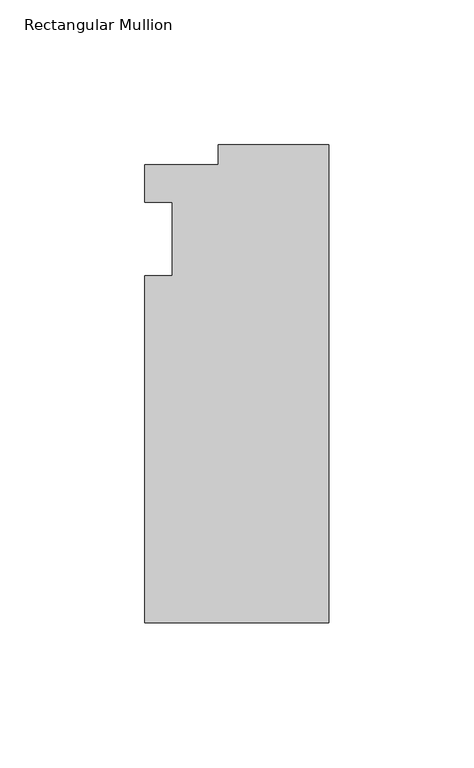
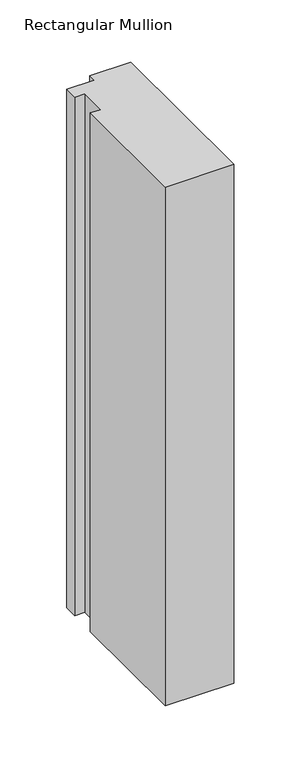
"""IFC4 building model written with IfcOpenShell, lengths in millimetres: member geometry, Rectangular Mullion."""

import ifcopenshell
import ifcopenshell.guid

model = None  # the IFC model being written
_history = None  # IfcOwnerHistory: only IFC2X3 demands one
_inside = {}  # id of a spatial element -> (the spatial element, [elements in it])
_under = {}  # id of a project, library or spatial element -> (it, [spatial elements below it])
_declared = {}  # id of a project -> (the project, [libraries it declares])
_typed = {}  # id of a type object -> (the type object, [elements of that type])
_made_of = {}  # id of a material, layer set ... -> (it, [elements and type objects made of it])


def new_model(schema):
    """Start an empty IFC model of exactly this schema.

    Asked for "IFC4X3", IfcOpenShell would pick the latest addendum, in which some entities
    have other attributes; the version numbers below select the first issue.
    IFC2X3 requires an IfcOwnerHistory on every rooted entity: one is made here for all.
    """
    global model, _history
    if schema == "IFC4X3":
        model = ifcopenshell.file(schema_version=(4, 3, 0, 0))
    else:
        model = ifcopenshell.file(schema=schema)
    _inside.clear()
    _under.clear()
    _declared.clear()
    _typed.clear()
    _made_of.clear()
    _history = None
    if model.schema == "IFC2X3":
        org = make("IfcOrganization", Name="unknown")
        user = make(
            "IfcPersonAndOrganization",
            ThePerson=make("IfcPerson", FamilyName="unknown"),
            TheOrganization=org,
        )
        app = make(
            "IfcApplication",
            ApplicationDeveloper=org,
            Version="unknown",
            ApplicationFullName="unknown",
            ApplicationIdentifier="unknown",
        )
        _history = make(
            "IfcOwnerHistory",
            OwningUser=user,
            OwningApplication=app,
            ChangeAction="ADDED",
            CreationDate=0,
        )
    return model


def make(cls, **values):
    """One entity of the class cls with the attributes given. An attribute that is None is left unset."""
    return model.create_entity(
        cls, **{name: value for name, value in values.items() if value is not None}
    )


def rooted(cls, **values):
    """An entity with a GlobalId (a new one), such as an element, a storey or a relation."""
    return make(cls, GlobalId=ifcopenshell.guid.new(), OwnerHistory=_history, **values)


def si_unit(unit_type, name, prefix=None):
    """IfcSIUnit, for example si_unit("LENGTHUNIT", "METRE", prefix="MILLI")."""
    return make("IfcSIUnit", UnitType=unit_type, Prefix=prefix, Name=name)


def assignment(units):
    """IfcUnitAssignment: the units of a project."""
    return None if units is None else make("IfcUnitAssignment", Units=units)


def point(xyz):
    """IfcCartesianPoint."""
    return None if xyz is None else make("IfcCartesianPoint", Coordinates=xyz)


def direction(xyz):
    """IfcDirection."""
    return None if xyz is None else make("IfcDirection", DirectionRatios=xyz)


def frame(location, z_axis=None, x_axis=None):
    """IfcAxis2Placement3D, a coordinate frame: its origin and axes. An axis left out is left unset."""
    return make(
        "IfcAxis2Placement3D",
        Location=point(location),
        Axis=direction(z_axis),
        RefDirection=direction(x_axis),
    )


def origin():
    """The frame at (0, 0, 0) with its axes left unset."""
    return frame((0.0, 0.0, 0.0))


def place(relative_to, where):
    """IfcLocalPlacement: puts the frame where relative to a parent placement (None: the world)."""
    return make(
        "IfcLocalPlacement", PlacementRelTo=relative_to, RelativePlacement=where
    )


def context(
    kind, dimensions, precision=None, world=None, true_north=None, identifier=None
):
    """IfcGeometricRepresentationContext, for example the 3D "Model" context."""
    return make(
        "IfcGeometricRepresentationContext",
        ContextIdentifier=identifier,
        ContextType=kind,
        CoordinateSpaceDimension=dimensions,
        Precision=precision,
        WorldCoordinateSystem=world,
        TrueNorth=true_north,
    )


def project(units=None, contexts=None):
    """IfcProject with its units and contexts."""
    return rooted(
        "IfcProject",
        Name="project",
        RepresentationContexts=contexts,
        UnitsInContext=assignment(units),
    )


def spatial(cls, under=None, at=None, **own):
    """A site, building, storey or space (cls), placed at a placement, below another one or the project."""
    s = rooted(cls, ObjectPlacement=at, **own)
    if under is not None:
        _under.setdefault(under.id(), (under, []))[1].append(s)
    return s


def polyline(points):
    """IfcPolyline through the points."""
    return make("IfcPolyline", Points=[point(p) for p in points])


def outline(outer, holes=None, kind="AREA"):
    """IfcArbitraryClosedProfileDef: a profile drawn as a closed curve; with holes, ...WithVoids."""
    if holes is None:
        return make("IfcArbitraryClosedProfileDef", ProfileType=kind, OuterCurve=outer)
    return make(
        "IfcArbitraryProfileDefWithVoids",
        ProfileType=kind,
        OuterCurve=outer,
        InnerCurves=holes,
    )


def extrude(swept, where, along, depth):
    """IfcExtrudedAreaSolid: the profile swept, set in the frame where, extruded along a direction by depth."""
    return make(
        "IfcExtrudedAreaSolid",
        SweptArea=swept,
        Position=where,
        ExtrudedDirection=direction(along),
        Depth=depth,
    )


def shape(context_of_items, identifier, shape_type, items):
    """IfcShapeRepresentation: the items that make up one representation, for example the "Body"."""
    return make(
        "IfcShapeRepresentation",
        ContextOfItems=context_of_items,
        RepresentationIdentifier=identifier,
        RepresentationType=shape_type,
        Items=items,
    )


def source(mapping_origin, context_of_items, identifier, shape_type, items):
    """IfcRepresentationMap: a shape defined once, which mapped items show again and again."""
    return make(
        "IfcRepresentationMap",
        MappingOrigin=mapping_origin,
        MappedRepresentation=shape(context_of_items, identifier, shape_type, items),
    )


def transform(
    local_origin,
    x_axis=None,
    y_axis=None,
    z_axis=None,
    scale=None,
    scale2=None,
    scale3=None,
    uniform=True,
):
    """IfcCartesianTransformationOperator3D, or its non-uniform kind. x_axis, y_axis, z_axis: its Axis1, 2, 3."""
    if uniform:
        return make(
            "IfcCartesianTransformationOperator3D",
            Axis1=direction(x_axis),
            Axis2=direction(y_axis),
            LocalOrigin=point(local_origin),
            Scale=scale,
            Axis3=direction(z_axis),
        )
    return make(
        "IfcCartesianTransformationOperator3DnonUniform",
        Axis1=direction(x_axis),
        Axis2=direction(y_axis),
        LocalOrigin=point(local_origin),
        Scale=scale,
        Axis3=direction(z_axis),
        Scale2=scale2,
        Scale3=scale3,
    )


def mapped(mapping_source, mapping_target):
    """IfcMappedItem: shows the shape of a source again, moved by a transform."""
    return make(
        "IfcMappedItem", MappingSource=mapping_source, MappingTarget=mapping_target
    )


def made_of(thing, what):
    """Note that an element or type object is made of a material, layer set ...; save() writes the relation."""
    if what is not None:
        _made_of.setdefault(what.id(), (what, []))[1].append(thing)
    return thing


def element(
    cls,
    number,
    at=None,
    inside=None,
    cuts=None,
    type_object=None,
    material=None,
    context=None,
    identifier="Body",
    shape_type=None,
    held_by="IfcProductDefinitionShape",
    body=None,
    shapes=None,
    **own,
):
    """One element of the class cls, such as IfcWall. Its Tag is "e" and its number.

    at: its placement. inside: the storey or other place that contains it. cuts: it is an
    opening in that element (IfcRelVoidsElement). A single representation is given by context,
    identifier, shape_type and body (its items); several are given by shapes. held_by: the class
    of the entity that holds the representations. save() writes the other relations.
    """
    e = rooted(cls, Tag="e%d" % number, ObjectPlacement=at, **own)
    if body is not None:
        shapes = [shape(context, identifier, shape_type, body)]
    if shapes is not None:
        e.Representation = make(held_by, Representations=shapes)
    if inside is not None:
        _inside.setdefault(inside.id(), (inside, []))[1].append(e)
    if cuts is not None:
        rooted(
            "IfcRelVoidsElement", RelatingBuildingElement=cuts, RelatedOpeningElement=e
        )
    if type_object is not None:
        _typed.setdefault(type_object.id(), (type_object, []))[1].append(e)
    return made_of(e, material)


def aggregate(whole, parts):
    """IfcRelAggregates: a whole, such as a stair, and the parts it consists of."""
    return rooted("IfcRelAggregates", RelatingObject=whole, RelatedObjects=parts)


def save(model, path):
    """Write the relations noted so far, then the file.

    IfcRelAggregates (storeys below a building ...), IfcRelContainedInSpatialStructure (elements
    in a storey), IfcRelDefinesByType, IfcRelAssociatesMaterial and IfcRelDeclares: one each for
    every whole, place, type object, material and project.
    """
    for whole, parts in _under.values():
        aggregate(whole, parts)
    for where, things in _inside.values():
        rooted(
            "IfcRelContainedInSpatialStructure",
            RelatedElements=things,
            RelatingStructure=where,
        )
    for kind, things in _typed.values():
        rooted("IfcRelDefinesByType", RelatedObjects=things, RelatingType=kind)
    for what, things in _made_of.values():
        rooted("IfcRelAssociatesMaterial", RelatedObjects=things, RelatingMaterial=what)
    for by, libraries in _declared.values():
        rooted("IfcRelDeclares", RelatingContext=by, RelatedDefinitions=libraries)
    model.write(path)


def rectangular_mullion_d27d2eed(model_context):
    return source(origin(), model_context, "Body", "SweptSolid", [
        extrude(outline(polyline([(-38.1, 32.54375), (0.0, 32.54375), (0.0, -132.55625), (-63.5, -132.55625), (-63.5, -12.7), (-53.975, -12.7), (-53.975, 12.7), (-63.5, 12.7), (-63.5, 25.58415), (-38.1, 25.58415), (-38.1, 32.54375)])), frame((0.0, 0.0, -508.0), z_axis=(0.0, 0.0, 1.0), x_axis=(1.0, 0.0, 0.0)), (0.0, 0.0, 1.0), 508.0),
    ])


if __name__ == "__main__":
    model = new_model("IFC4")
    model_context = context("Model", 3, world=origin())
    ifc_project = project(units=[si_unit("LENGTHUNIT", "METRE", prefix="MILLI")], contexts=[model_context])
    site = spatial("IfcSite", under=ifc_project)
    building = spatial("IfcBuilding", under=site)
    placement = place(None, origin())
    rectangular_mullion_shape = rectangular_mullion_d27d2eed(model_context)
    element("IfcMember", 1, ObjectType="Rectangular Mullion", at=placement, inside=building, context=model_context, shape_type="MappedRepresentation", body=[
        mapped(rectangular_mullion_shape, transform((0.0, 0.0, 0.0), x_axis=(1.0, 0.0, 0.0), y_axis=(0.0, 1.0, 0.0), z_axis=(0.0, 0.0, 1.0))),
    ])
    save(model, "model.ifc")
